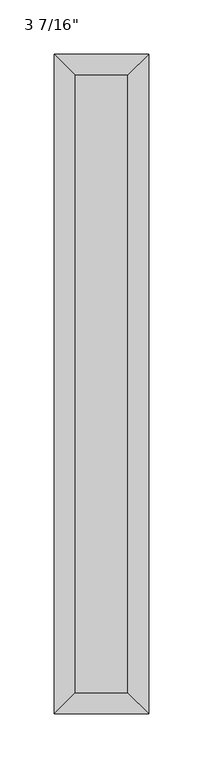
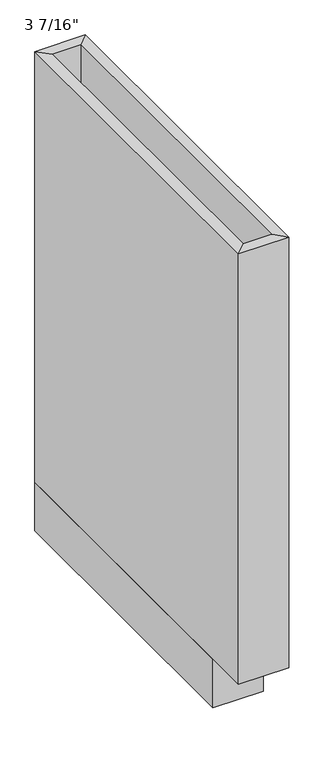
"""IFC4 building model written with IfcOpenShell, lengths in millimetres: furniture geometry."""

from ifc_helpers import new_model, si_unit, frame, origin, origin_with_axes, place, context, project, spatial, polyline, outline, extrude, faceted_brep, source, transform, mapped, element, save


def furniture_0e6b4a37(model_context):
    return source(origin(), model_context, "Body", "SolidModel", [
        extrude(outline(polyline([(43.3439549, -19.05), (43.3439549, -590.55), (-5.8685451, -590.55), (-5.8685451, -19.05), (43.3439549, -19.05)])), frame((0.0, 0.0, 88.9), z_axis=(0.0, 0.0, 1.0), x_axis=(1.0, 0.0, 0.0)), (0.0, 0.0, 1.0), 19.05),
        faceted_brep([(43.3439549, -590.55, 876.3), (43.3439549, -590.55, 88.9), (-5.8685451, -590.55, 88.9), (-5.8685451, -590.55, 876.3), (62.3939549, -609.6, 876.3), (-24.9185451, -609.6, 876.3), (62.3939549, -609.6, 88.9), (-24.9185451, -609.6, 88.9), (-5.8685451, -19.05, 88.9), (-5.8685451, -19.05, 876.3), (-24.9185451, 0.0, 876.3), (-24.9185451, 0.0, 88.9), (43.3439549, -19.05, 88.9), (43.3439549, -19.05, 876.3), (62.3939549, 0.0, 876.3), (62.3939549, 0.0, 88.9)], [[[0, 1, 2, 3]], [[4, 0, 3, 5]], [[6, 4, 5, 7]], [[1, 6, 7, 2]], [[3, 2, 8, 9]], [[5, 3, 9, 10]], [[7, 5, 10, 11]], [[2, 7, 11, 8]], [[9, 8, 12, 13]], [[10, 9, 13, 14]], [[11, 10, 14, 15]], [[8, 11, 15, 12]], [[13, 12, 1, 0]], [[14, 13, 0, 4]], [[15, 14, 4, 6]], [[12, 15, 6, 1]]]),
        extrude(outline(polyline([(62.3939549, 0.0), (62.3939549, -533.4), (-24.9185451, -533.4), (-24.9185451, 0.0), (62.3939549, 0.0)])), origin_with_axes(), (0.0, 0.0, 1.0), 88.9),
    ])


if __name__ == "__main__":
    model = new_model("IFC4")
    model_context = context("Model", 3, world=origin())
    ifc_project = project(units=[si_unit("LENGTHUNIT", "METRE", prefix="MILLI")], contexts=[model_context])
    site = spatial("IfcSite", under=ifc_project)
    building = spatial("IfcBuilding", under=site)
    placement = place(None, origin())
    furniture_shape = furniture_0e6b4a37(model_context)
    element("IfcFurniture", 1, ObjectType="3 7/16\"", at=placement, inside=building, context=model_context, shape_type="MappedRepresentation", body=[
        mapped(furniture_shape, transform((0.0, 0.0, 0.0), x_axis=(1.0, 0.0, 0.0), y_axis=(0.0, 1.0, 0.0), z_axis=(0.0, 0.0, 1.0))),
    ])
    save(model, "model.ifc")
